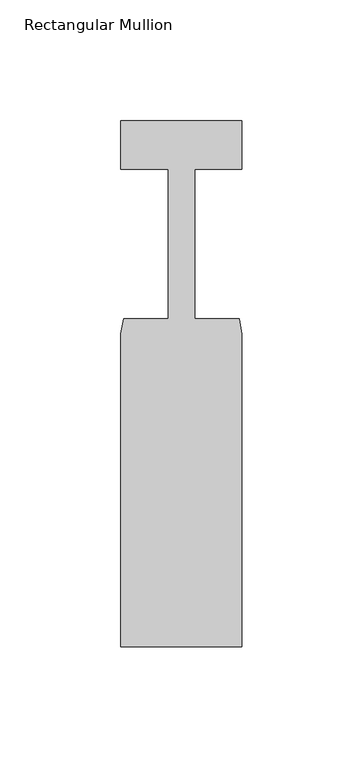
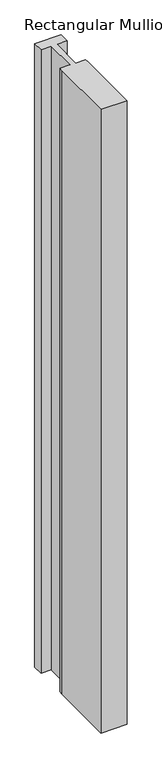
"""IFC4 building model written with IfcOpenShell, lengths in millimetres: member geometry, Rectangular Mullion."""

from ifc_helpers import new_model, si_unit, frame, origin, place, context, project, spatial, polyline, outline, extrude, source, transform, mapped, element, save


def rectangular_mullion_debb0096(model_context):
    return source(origin(), model_context, "Body", "SweptSolid", [
        extrude(outline(polyline([(25.0, -161.3), (-25.0, -161.3), (-25.0, -32.0), (-23.9, -25.8), (-5.4999999, -25.8), (-5.4999999, 36.0), (-25.0, 36.0), (-25.0, 56.0), (25.0, 56.0), (25.0, 36.0), (5.5, 36.0), (5.5, -25.8), (23.9, -25.8), (25.0, -32.0), (25.0, -161.3)])), frame((0.0, 0.0, -1250.0), z_axis=(0.0, 0.0, 1.0), x_axis=(1.0, 0.0, 0.0)), (0.0, 0.0, 1.0), 1250.0),
    ])


if __name__ == "__main__":
    model = new_model("IFC4")
    model_context = context("Model", 3, world=origin())
    ifc_project = project(units=[si_unit("LENGTHUNIT", "METRE", prefix="MILLI")], contexts=[model_context])
    site = spatial("IfcSite", under=ifc_project)
    building = spatial("IfcBuilding", under=site)
    placement = place(None, origin())
    rectangular_mullion_shape = rectangular_mullion_debb0096(model_context)
    element("IfcMember", 1, ObjectType="Rectangular Mullion", at=placement, inside=building, context=model_context, shape_type="MappedRepresentation", body=[
        mapped(rectangular_mullion_shape, transform((0.0, 0.0, 0.0), x_axis=(1.0, 0.0, 0.0), y_axis=(0.0, 1.0, 0.0), z_axis=(0.0, 0.0, 1.0))),
    ])
    save(model, "model.ifc")
